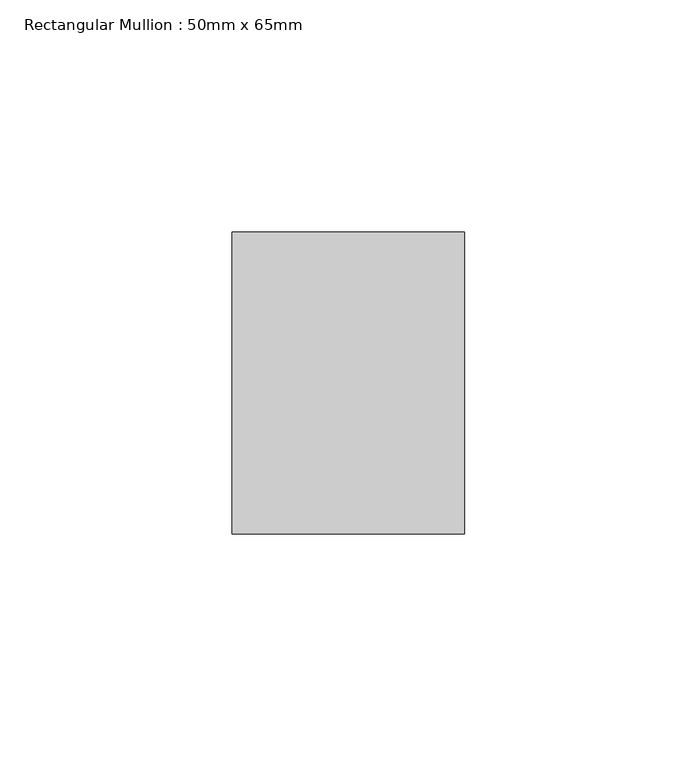
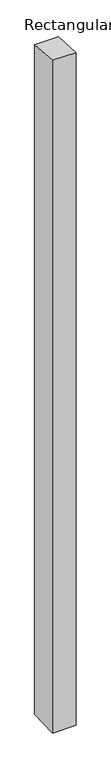
"""IFC4 building model written with IfcOpenShell, lengths in millimetres: member geometry, Rectangular Mullion : 50mm x 65mm."""

from ifc_helpers import new_model, si_unit, origin, place, context, project, spatial, faceted_brep, source, transform, mapped, element, save


def rectangular_mullion_50mm_x_65mm_6ad54d33(model_context):
    return source(origin(), model_context, "Body", "Brep", [
        faceted_brep([(-25.0, 32.5, -2.1659775), (25.0, 32.5, -2.1659789), (25.0, 32.5, -1498.7588499), (-25.0, 32.5, -1498.7588507), (-25.0, -32.5, 2.1659789), (-25.0, -32.5, -1501.2410335), (25.0, -32.5, 2.1659775), (25.0, -32.5, -1501.2410328)], [[[0, 1, 2, 3]], [[4, 0, 3, 5]], [[6, 4, 5, 7]], [[1, 6, 7, 2]], [[1, 0, 4, 6]], [[2, 7, 5, 3]]]),
    ])


if __name__ == "__main__":
    model = new_model("IFC4")
    model_context = context("Model", 3, world=origin())
    ifc_project = project(units=[si_unit("LENGTHUNIT", "METRE", prefix="MILLI")], contexts=[model_context])
    site = spatial("IfcSite", under=ifc_project)
    building = spatial("IfcBuilding", under=site)
    placement = place(None, origin())
    rectangular_mullion_50mm_x_65mm_shape = rectangular_mullion_50mm_x_65mm_6ad54d33(model_context)
    element("IfcMember", 1, ObjectType="Rectangular Mullion : 50mm x 65mm", at=placement, inside=building, context=model_context, shape_type="MappedRepresentation", body=[
        mapped(rectangular_mullion_50mm_x_65mm_shape, transform((0.0, 0.0, 0.0), x_axis=(1.0, 0.0, 0.0), y_axis=(0.0, 1.0, 0.0), z_axis=(0.0, 0.0, 1.0))),
    ])
    save(model, "model.ifc")
